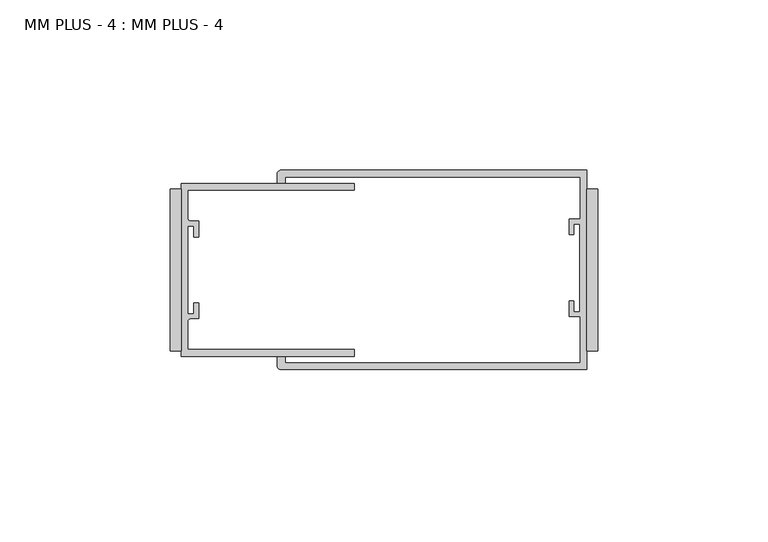
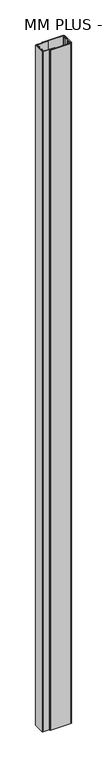
"""IFC4 building model written with IfcOpenShell, lengths in millimetres: proxy geometry, MM PLUS - 4 : MM PLUS - 4."""

import ifcopenshell
import ifcopenshell.guid

model = None  # the IFC model being written
_history = None  # IfcOwnerHistory: only IFC2X3 demands one
_inside = {}  # id of a spatial element -> (the spatial element, [elements in it])
_under = {}  # id of a project, library or spatial element -> (it, [spatial elements below it])
_declared = {}  # id of a project -> (the project, [libraries it declares])
_typed = {}  # id of a type object -> (the type object, [elements of that type])
_made_of = {}  # id of a material, layer set ... -> (it, [elements and type objects made of it])


def new_model(schema):
    """Start an empty IFC model of exactly this schema.

    Asked for "IFC4X3", IfcOpenShell would pick the latest addendum, in which some entities
    have other attributes; the version numbers below select the first issue.
    IFC2X3 requires an IfcOwnerHistory on every rooted entity: one is made here for all.
    """
    global model, _history
    if schema == "IFC4X3":
        model = ifcopenshell.file(schema_version=(4, 3, 0, 0))
    else:
        model = ifcopenshell.file(schema=schema)
    _inside.clear()
    _under.clear()
    _declared.clear()
    _typed.clear()
    _made_of.clear()
    _history = None
    if model.schema == "IFC2X3":
        org = make("IfcOrganization", Name="unknown")
        user = make(
            "IfcPersonAndOrganization",
            ThePerson=make("IfcPerson", FamilyName="unknown"),
            TheOrganization=org,
        )
        app = make(
            "IfcApplication",
            ApplicationDeveloper=org,
            Version="unknown",
            ApplicationFullName="unknown",
            ApplicationIdentifier="unknown",
        )
        _history = make(
            "IfcOwnerHistory",
            OwningUser=user,
            OwningApplication=app,
            ChangeAction="ADDED",
            CreationDate=0,
        )
    return model


def make(cls, **values):
    """One entity of the class cls with the attributes given. An attribute that is None is left unset."""
    return model.create_entity(
        cls, **{name: value for name, value in values.items() if value is not None}
    )


def rooted(cls, **values):
    """An entity with a GlobalId (a new one), such as an element, a storey or a relation."""
    return make(cls, GlobalId=ifcopenshell.guid.new(), OwnerHistory=_history, **values)


def si_unit(unit_type, name, prefix=None):
    """IfcSIUnit, for example si_unit("LENGTHUNIT", "METRE", prefix="MILLI")."""
    return make("IfcSIUnit", UnitType=unit_type, Prefix=prefix, Name=name)


def assignment(units):
    """IfcUnitAssignment: the units of a project."""
    return None if units is None else make("IfcUnitAssignment", Units=units)


def point(xyz):
    """IfcCartesianPoint."""
    return None if xyz is None else make("IfcCartesianPoint", Coordinates=xyz)


def direction(xyz):
    """IfcDirection."""
    return None if xyz is None else make("IfcDirection", DirectionRatios=xyz)


def frame(location, z_axis=None, x_axis=None):
    """IfcAxis2Placement3D, a coordinate frame: its origin and axes. An axis left out is left unset."""
    return make(
        "IfcAxis2Placement3D",
        Location=point(location),
        Axis=direction(z_axis),
        RefDirection=direction(x_axis),
    )


def frame_2d(location, x_axis=None):
    """IfcAxis2Placement2D, a coordinate frame in the plane: its origin and x axis."""
    return make(
        "IfcAxis2Placement2D", Location=point(location), RefDirection=direction(x_axis)
    )


def origin():
    """The frame at (0, 0, 0) with its axes left unset."""
    return frame((0.0, 0.0, 0.0))


def origin_with_axes():
    """The frame at (0, 0, 0) with the z axis (0, 0, 1) and the x axis (1, 0, 0) written out."""
    return frame((0.0, 0.0, 0.0), z_axis=(0.0, 0.0, 1.0), x_axis=(1.0, 0.0, 0.0))


def place(relative_to, where):
    """IfcLocalPlacement: puts the frame where relative to a parent placement (None: the world)."""
    return make(
        "IfcLocalPlacement", PlacementRelTo=relative_to, RelativePlacement=where
    )


def context(
    kind, dimensions, precision=None, world=None, true_north=None, identifier=None
):
    """IfcGeometricRepresentationContext, for example the 3D "Model" context."""
    return make(
        "IfcGeometricRepresentationContext",
        ContextIdentifier=identifier,
        ContextType=kind,
        CoordinateSpaceDimension=dimensions,
        Precision=precision,
        WorldCoordinateSystem=world,
        TrueNorth=true_north,
    )


def project(units=None, contexts=None):
    """IfcProject with its units and contexts."""
    return rooted(
        "IfcProject",
        Name="project",
        RepresentationContexts=contexts,
        UnitsInContext=assignment(units),
    )


def spatial(cls, under=None, at=None, **own):
    """A site, building, storey or space (cls), placed at a placement, below another one or the project."""
    s = rooted(cls, ObjectPlacement=at, **own)
    if under is not None:
        _under.setdefault(under.id(), (under, []))[1].append(s)
    return s


def polyline(points):
    """IfcPolyline through the points."""
    return make("IfcPolyline", Points=[point(p) for p in points])


def circle_curve(where, radius):
    """IfcCircle in the frame where."""
    return make("IfcCircle", Position=where, Radius=radius)


def trimmed(basis, trim1, trim2, sense, master):
    """IfcTrimmedCurve: the piece of a basis curve between two trims."""
    return make(
        "IfcTrimmedCurve",
        BasisCurve=basis,
        Trim1=trim1,
        Trim2=trim2,
        SenseAgreement=sense,
        MasterRepresentation=master,
    )


def segment(curve, same_sense, transition):
    """IfcCompositeCurveSegment."""
    return make(
        "IfcCompositeCurveSegment",
        Transition=transition,
        SameSense=same_sense,
        ParentCurve=curve,
    )


def composite_curve(segments, self_intersect=None):
    """IfcCompositeCurve: segments joined end to end."""
    return make("IfcCompositeCurve", Segments=segments, SelfIntersect=self_intersect)


def outline(outer, holes=None, kind="AREA"):
    """IfcArbitraryClosedProfileDef: a profile drawn as a closed curve; with holes, ...WithVoids."""
    if holes is None:
        return make("IfcArbitraryClosedProfileDef", ProfileType=kind, OuterCurve=outer)
    return make(
        "IfcArbitraryProfileDefWithVoids",
        ProfileType=kind,
        OuterCurve=outer,
        InnerCurves=holes,
    )


def extrude(swept, where, along, depth):
    """IfcExtrudedAreaSolid: the profile swept, set in the frame where, extruded along a direction by depth."""
    return make(
        "IfcExtrudedAreaSolid",
        SweptArea=swept,
        Position=where,
        ExtrudedDirection=direction(along),
        Depth=depth,
    )


def shape(context_of_items, identifier, shape_type, items):
    """IfcShapeRepresentation: the items that make up one representation, for example the "Body"."""
    return make(
        "IfcShapeRepresentation",
        ContextOfItems=context_of_items,
        RepresentationIdentifier=identifier,
        RepresentationType=shape_type,
        Items=items,
    )


def source(mapping_origin, context_of_items, identifier, shape_type, items):
    """IfcRepresentationMap: a shape defined once, which mapped items show again and again."""
    return make(
        "IfcRepresentationMap",
        MappingOrigin=mapping_origin,
        MappedRepresentation=shape(context_of_items, identifier, shape_type, items),
    )


def transform(
    local_origin,
    x_axis=None,
    y_axis=None,
    z_axis=None,
    scale=None,
    scale2=None,
    scale3=None,
    uniform=True,
):
    """IfcCartesianTransformationOperator3D, or its non-uniform kind. x_axis, y_axis, z_axis: its Axis1, 2, 3."""
    if uniform:
        return make(
            "IfcCartesianTransformationOperator3D",
            Axis1=direction(x_axis),
            Axis2=direction(y_axis),
            LocalOrigin=point(local_origin),
            Scale=scale,
            Axis3=direction(z_axis),
        )
    return make(
        "IfcCartesianTransformationOperator3DnonUniform",
        Axis1=direction(x_axis),
        Axis2=direction(y_axis),
        LocalOrigin=point(local_origin),
        Scale=scale,
        Axis3=direction(z_axis),
        Scale2=scale2,
        Scale3=scale3,
    )


def mapped(mapping_source, mapping_target):
    """IfcMappedItem: shows the shape of a source again, moved by a transform."""
    return make(
        "IfcMappedItem", MappingSource=mapping_source, MappingTarget=mapping_target
    )


def made_of(thing, what):
    """Note that an element or type object is made of a material, layer set ...; save() writes the relation."""
    if what is not None:
        _made_of.setdefault(what.id(), (what, []))[1].append(thing)
    return thing


def element(
    cls,
    number,
    at=None,
    inside=None,
    cuts=None,
    type_object=None,
    material=None,
    context=None,
    identifier="Body",
    shape_type=None,
    held_by="IfcProductDefinitionShape",
    body=None,
    shapes=None,
    **own,
):
    """One element of the class cls, such as IfcWall. Its Tag is "e" and its number.

    at: its placement. inside: the storey or other place that contains it. cuts: it is an
    opening in that element (IfcRelVoidsElement). A single representation is given by context,
    identifier, shape_type and body (its items); several are given by shapes. held_by: the class
    of the entity that holds the representations. save() writes the other relations.
    """
    e = rooted(cls, Tag="e%d" % number, ObjectPlacement=at, **own)
    if body is not None:
        shapes = [shape(context, identifier, shape_type, body)]
    if shapes is not None:
        e.Representation = make(held_by, Representations=shapes)
    if inside is not None:
        _inside.setdefault(inside.id(), (inside, []))[1].append(e)
    if cuts is not None:
        rooted(
            "IfcRelVoidsElement", RelatingBuildingElement=cuts, RelatedOpeningElement=e
        )
    if type_object is not None:
        _typed.setdefault(type_object.id(), (type_object, []))[1].append(e)
    return made_of(e, material)


def aggregate(whole, parts):
    """IfcRelAggregates: a whole, such as a stair, and the parts it consists of."""
    return rooted("IfcRelAggregates", RelatingObject=whole, RelatedObjects=parts)


def save(model, path):
    """Write the relations noted so far, then the file.

    IfcRelAggregates (storeys below a building ...), IfcRelContainedInSpatialStructure (elements
    in a storey), IfcRelDefinesByType, IfcRelAssociatesMaterial and IfcRelDeclares: one each for
    every whole, place, type object, material and project.
    """
    for whole, parts in _under.values():
        aggregate(whole, parts)
    for where, things in _inside.values():
        rooted(
            "IfcRelContainedInSpatialStructure",
            RelatedElements=things,
            RelatingStructure=where,
        )
    for kind, things in _typed.values():
        rooted("IfcRelDefinesByType", RelatedObjects=things, RelatingType=kind)
    for what, things in _made_of.values():
        rooted("IfcRelAssociatesMaterial", RelatedObjects=things, RelatingMaterial=what)
    for by, libraries in _declared.values():
        rooted("IfcRelDeclares", RelatingContext=by, RelatedDefinitions=libraries)
    model.write(path)


def mm_plus_4_mm_plus_4_a49cdaed(model_context):
    return source(origin(), model_context, "Body", "SweptSolid", [
        extrude(outline(polyline([(-3.175, 23.8125), (0.0, 23.8125), (0.0, -23.8125), (-3.175, -23.8125), (-3.175, 23.8125)])), origin_with_axes(), (0.0, 0.0, 1.0), 3048.0),
        extrude(outline(polyline([(-125.4125, 23.8125), (-122.2375, 23.8125), (-122.2375, -23.8125), (-125.4125, -23.8125), (-125.4125, 23.8125)])), origin_with_axes(), (0.0, 0.0, 1.0), 3048.0),
        extrude(outline(composite_curve([segment(polyline([(-92.865575, 29.2862), (-3.175, 29.2862), (-3.175, -29.2862), (-92.865575, -29.2862)]), True, "CONTINUOUS"), segment(trimmed(circle_curve(frame_2d((-92.865575, -28.095575)), 1.190625), [point((-92.865575, -29.2862))], [point((-94.0562, -28.095575))], False, "CARTESIAN"), True, "CONTINUOUS"), segment(polyline([(-94.0562, -28.095575), (-94.0562, -25.527), (-91.7597006, -25.527), (-91.7597006, -27.305), (-5.1562, -27.305), (-5.1562, -13.7024149), (-8.3312, -13.7024149), (-8.3312, -9.1355958), (-6.967, -9.1355958), (-6.967, -12.3105958), (-5.189, -12.3105958), (-5.189, 13.495805), (-6.9792436, 13.495805), (-6.9792436, 10.3136087), (-8.3683061, 10.3136087), (-8.3683061, 14.8979851), (-5.1562, 14.8979851), (-5.1562, 27.305), (-91.7597006, 27.305), (-91.7597006, 25.527), (-94.0562, 25.527), (-94.0562, 28.095575)]), True, "CONTINUOUS"), segment(trimmed(circle_curve(frame_2d((-92.865575, 28.095575)), 1.190625), [point((-94.0562, 28.095575))], [point((-92.865575, 29.2862))], False, "CARTESIAN"), True, "CONTINUOUS")], self_intersect=False)), origin_with_axes(), (0.0, 0.0, 1.0), 3048.0),
        extrude(outline(composite_curve([segment(polyline([(-122.2375, -25.4), (-122.2375, 25.4), (-71.4375, 25.4), (-71.4375, 23.4188), (-120.2563, 23.4188), (-120.2563, 15.0569227)]), True, "CONTINUOUS"), segment(trimmed(circle_curve(frame_2d((-119.4943, 15.0569227)), 0.762), [point((-120.2563, 15.0569227))], [point((-119.4943, 14.2949227))], True, "CARTESIAN"), True, "CONTINUOUS"), segment(polyline([(-119.4943, 14.2949227), (-117.0813, 14.2949227), (-117.0813, 9.7229227), (-118.4783, 9.7229227), (-118.4783, 12.8979227), (-120.2563, 12.8979227), (-120.2563, -12.9084773), (-118.4783, -12.9084773), (-118.4783, -9.7334773), (-117.0813, -9.7334773), (-117.0813, -14.3054773), (-119.4943, -14.3054773)]), True, "CONTINUOUS"), segment(trimmed(circle_curve(frame_2d((-119.4943, -15.0674773)), 0.762), [point((-119.4943, -14.3054773))], [point((-120.2563, -15.0674773))], True, "CARTESIAN"), True, "CONTINUOUS"), segment(polyline([(-120.2563, -15.0674773), (-120.2563, -23.4188), (-71.4375, -23.4188), (-71.4375, -25.4), (-122.2375, -25.4)]), True, "CONTINUOUS")], self_intersect=False)), origin_with_axes(), (0.0, 0.0, 1.0), 3048.0),
    ])


if __name__ == "__main__":
    model = new_model("IFC4")
    model_context = context("Model", 3, world=origin())
    ifc_project = project(units=[si_unit("LENGTHUNIT", "METRE", prefix="MILLI")], contexts=[model_context])
    site = spatial("IfcSite", under=ifc_project)
    building = spatial("IfcBuilding", under=site)
    placement = place(None, origin())
    mm_plus_4_mm_plus_4_shape = mm_plus_4_mm_plus_4_a49cdaed(model_context)
    element("IfcBuildingElementProxy", 1, Name="MM PLUS - 4 : MM PLUS - 4", ObjectType="MM PLUS - 4 : MM PLUS - 4", at=placement, inside=building, context=model_context, shape_type="MappedRepresentation", body=[
        mapped(mm_plus_4_mm_plus_4_shape, transform((0.0, 0.0, 0.0), x_axis=(1.0, 0.0, 0.0), y_axis=(0.0, 1.0, 0.0), z_axis=(0.0, 0.0, 1.0))),
    ])
    save(model, "model.ifc")
